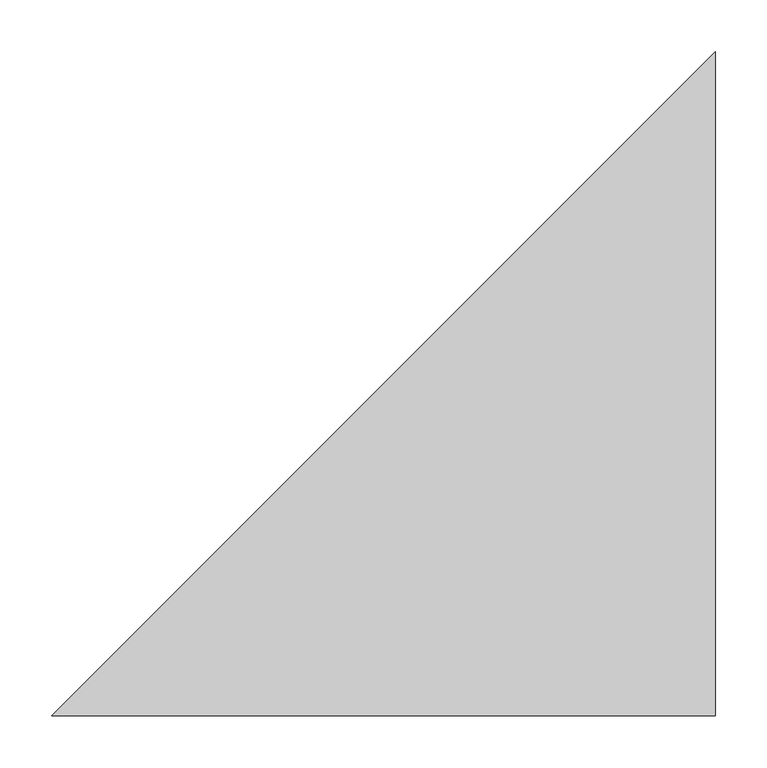
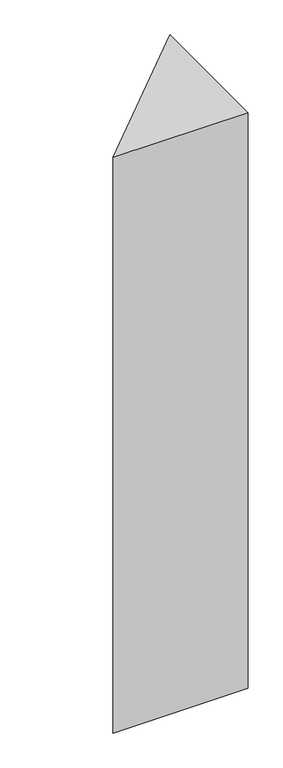
"""IFC4 building model written with IfcOpenShell, lengths in millimetres: column geometry."""

from ifc_helpers import new_model, si_unit, origin, place, context, project, spatial, faceted_brep, source, transform, mapped, element, save


def column_3d0ed082(model_context):
    return source(origin(), model_context, "Body", "Brep", [
        faceted_brep([(-4104.9906768, -12831.6353377, 6200.0), (-3460.2597962, -12831.6353377, 6200.0), (-3460.2597962, -12186.904457, 6200.0), (-3460.2597962, -12831.6353377, 3300.0), (-4104.9906768, -12831.6353377, 3300.0), (-3460.2597962, -12186.904457, 3300.0), (-4104.9906768, -12831.6353377, 5500.0)], [[[0, 1, 2]], [[3, 4, 5]], [[1, 3, 5, 2]], [[1, 0, 6, 4, 3]], [[0, 2, 5, 4, 6]]]),
    ])


if __name__ == "__main__":
    model = new_model("IFC4")
    model_context = context("Model", 3, world=origin())
    ifc_project = project(units=[si_unit("LENGTHUNIT", "METRE", prefix="MILLI")], contexts=[model_context])
    site = spatial("IfcSite", under=ifc_project)
    building = spatial("IfcBuilding", under=site)
    placement = place(None, origin())
    column_shape = column_3d0ed082(model_context)
    element("IfcColumn", 1, at=placement, inside=building, context=model_context, shape_type="MappedRepresentation", body=[
        mapped(column_shape, transform((0.0, 0.0, 0.0), x_axis=(1.0, 0.0, 0.0), y_axis=(0.0, 1.0, 0.0), z_axis=(0.0, 0.0, 1.0))),
    ])
    save(model, "model.ifc")
